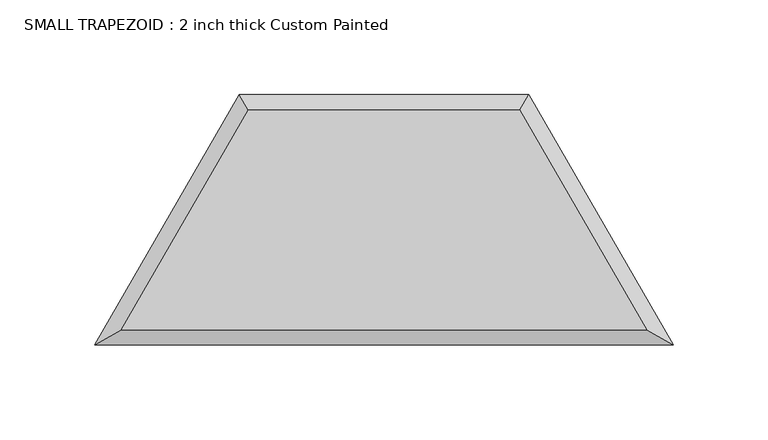
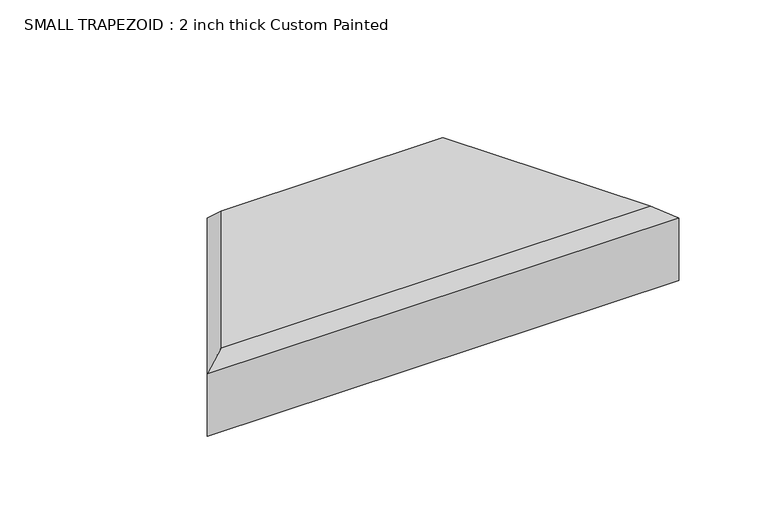
"""IFC4 building model written with IfcOpenShell, lengths in millimetres: proxy geometry, SMALL TRAPEZOID : 2 inch thick Custom Painted."""

from ifc_helpers import new_model, si_unit, origin, place, context, project, spatial, faceted_brep, source, transform, mapped, element, save


def small_trapezoid_2_inch_thick_custom_painted_4a2ae6a3(model_context):
    return source(origin(), model_context, "Body", "Brep", [
        faceted_brep([(138.5418615, 8.001, 50.8), (71.5806205, 123.9812715, 50.8), (-71.5806205, 123.9812715, 50.8), (-138.5418615, 8.001, 50.8), (76.2, 131.9822715, 0.0), (152.4, 0.0, 0.0), (-152.4, 0.0, 0.0), (-76.2, 131.9822715, 0.0), (-76.2, 131.9822715, 42.799), (76.2, 131.9822715, 42.799), (-152.4, 0.0, 42.799), (152.4, 0.0, 42.799)], [[[0, 1, 2, 3]], [[4, 5, 6, 7]], [[4, 7, 8, 9]], [[7, 6, 10, 8]], [[5, 4, 9, 11]], [[9, 1, 0, 11]], [[1, 9, 8, 2]], [[2, 8, 10, 3]], [[6, 5, 11, 10]], [[11, 0, 3, 10]]]),
    ])


if __name__ == "__main__":
    model = new_model("IFC4")
    model_context = context("Model", 3, world=origin())
    ifc_project = project(units=[si_unit("LENGTHUNIT", "METRE", prefix="MILLI")], contexts=[model_context])
    site = spatial("IfcSite", under=ifc_project)
    building = spatial("IfcBuilding", under=site)
    placement = place(None, origin())
    small_trapezoid_2_inch_thick_custom_painted_shape = small_trapezoid_2_inch_thick_custom_painted_4a2ae6a3(model_context)
    element("IfcBuildingElementProxy", 1, Name="SMALL TRAPEZOID : 2 inch thick Custom Painted", ObjectType="SMALL TRAPEZOID : 2 inch thick Custom Painted", at=placement, inside=building, context=model_context, shape_type="MappedRepresentation", body=[
        mapped(small_trapezoid_2_inch_thick_custom_painted_shape, transform((0.0, 0.0, 0.0), x_axis=(1.0, 0.0, 0.0), y_axis=(0.0, 1.0, 0.0), z_axis=(0.0, 0.0, 1.0))),
    ])
    save(model, "model.ifc")
